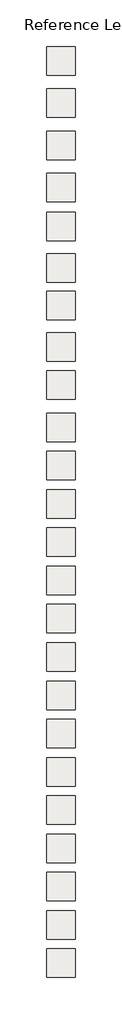
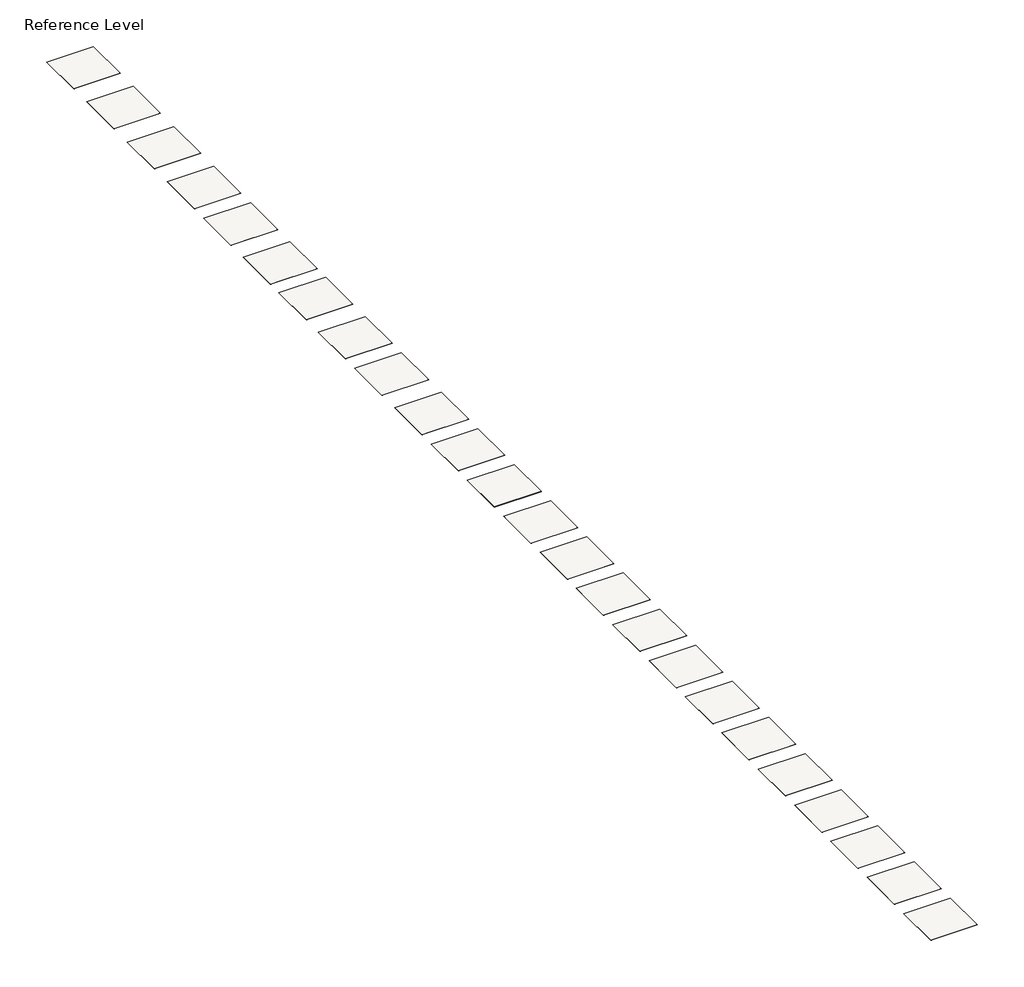
# One storey: 24 slabs.
"""IFC4 building model written with IfcOpenShell, lengths in millimetres."""

from ifc_helpers import new_model, si_unit, frame, origin, place, context, project, spatial, polyline, outline, extrude, element, save

model = new_model("IFC4")

# Units and contexts
model_context = context("Model", 3, world=origin())
ifc_project = project(units=[si_unit("LENGTHUNIT", "METRE", prefix="MILLI")], contexts=[model_context])

# Site, building, storey
site = spatial("IfcSite", under=ifc_project)
building = spatial("IfcBuilding", under=site)
storey = spatial("IfcBuildingStorey", under=building, Name="Reference Level", Elevation=0.0)

# Slabs
placement = place(None, origin())
element("IfcSlab", 1, at=placement, inside=storey, context=model_context, shape_type="SweptSolid", body=[
    extrude(outline(polyline([(21893.1191725, 5802.6847372), (21893.1191725, 802.6847372), (16893.1191725, 802.6847372), (16893.1191725, 5802.6847372), (21893.1191725, 5802.6847372)])), frame((0.0, 0.0, -2.25), z_axis=(0.0, 0.0, 1.0), x_axis=(1.0, 0.0, 0.0)), (0.0, 0.0, 1.0), 2.25),
])
element("IfcSlab", 2, at=placement, inside=storey, context=model_context, shape_type="SweptSolid", body=[
    extrude(outline(polyline([(21893.1191725, -1597.3152628), (21893.1191725, -6597.3152628), (16893.1191725, -6597.3152628), (16893.1191725, -1597.3152628), (21893.1191725, -1597.3152628)])), frame((0.0, 0.0, -2.25), z_axis=(0.0, 0.0, 1.0), x_axis=(1.0, 0.0, 0.0)), (0.0, 0.0, 1.0), 2.25),
])
element("IfcSlab", 3, at=placement, inside=storey, context=model_context, shape_type="SweptSolid", body=[
    extrude(outline(polyline([(21893.1191725, -9097.3152628), (21893.1191725, -14097.3152628), (16893.1191725, -14097.3152628), (16893.1191725, -9097.3152628), (21893.1191725, -9097.3152628)])), frame((0.0, 0.0, -2.25), z_axis=(0.0, 0.0, 1.0), x_axis=(1.0, 0.0, 0.0)), (0.0, 0.0, 1.0), 2.25),
])
element("IfcSlab", 4, at=placement, inside=storey, context=model_context, shape_type="SweptSolid", body=[
    extrude(outline(polyline([(21893.1191725, -16497.3152628), (21893.1191725, -21497.3152628), (16893.1191725, -21497.3152628), (16893.1191725, -16497.3152628), (21893.1191725, -16497.3152628)])), frame((0.0, 0.0, -2.25), z_axis=(0.0, 0.0, 1.0), x_axis=(1.0, 0.0, 0.0)), (0.0, 0.0, 1.0), 2.25),
])
element("IfcSlab", 5, at=placement, inside=storey, context=model_context, shape_type="SweptSolid", body=[
    extrude(outline(polyline([(21893.1191725, -23297.3152628), (21893.1191725, -28297.3152628), (16893.1191725, -28297.3152628), (16893.1191725, -23297.3152628), (21893.1191725, -23297.3152628)])), frame((0.0, 0.0, -2.25), z_axis=(0.0, 0.0, 1.0), x_axis=(1.0, 0.0, 0.0)), (0.0, 0.0, 1.0), 2.25),
])
element("IfcSlab", 6, at=placement, inside=storey, context=model_context, shape_type="SweptSolid", body=[
    extrude(outline(polyline([(21893.1191725, -30572.6471434), (21893.1191725, -35572.6471434), (16893.1191725, -35572.6471434), (16893.1191725, -30572.6471434), (21893.1191725, -30572.6471434)])), frame((0.0, 0.0, -2.25), z_axis=(0.0, 0.0, 1.0), x_axis=(1.0, 0.0, 0.0)), (0.0, 0.0, 1.0), 2.25),
])
element("IfcSlab", 7, at=placement, inside=storey, context=model_context, shape_type="SweptSolid", body=[
    extrude(outline(polyline([(21893.1191725, -37197.3152628), (21893.1191725, -42197.3152628), (16893.1191725, -42197.3152628), (16893.1191725, -37197.3152628), (21893.1191725, -37197.3152628)])), frame((0.0, 0.0, -2.25), z_axis=(0.0, 0.0, 1.0), x_axis=(1.0, 0.0, 0.0)), (0.0, 0.0, 1.0), 2.25),
])
element("IfcSlab", 8, at=placement, inside=storey, context=model_context, shape_type="SweptSolid", body=[
    extrude(outline(polyline([(21893.1191725, -44472.6471434), (21893.1191725, -49472.6471434), (16893.1191725, -49472.6471434), (16893.1191725, -44472.6471434), (21893.1191725, -44472.6471434)])), frame((0.0, 0.0, -2.25), z_axis=(0.0, 0.0, 1.0), x_axis=(1.0, 0.0, 0.0)), (0.0, 0.0, 1.0), 2.25),
])
element("IfcSlab", 9, at=placement, inside=storey, context=model_context, shape_type="SweptSolid", body=[
    extrude(outline(polyline([(21893.1191725, -51197.3152628), (21893.1191725, -56197.3152628), (16893.1191725, -56197.3152628), (16893.1191725, -51197.3152628), (21893.1191725, -51197.3152628)])), frame((0.0, 0.0, -2.25), z_axis=(0.0, 0.0, 1.0), x_axis=(1.0, 0.0, 0.0)), (0.0, 0.0, 1.0), 2.25),
])
element("IfcSlab", 10, at=placement, inside=storey, context=model_context, shape_type="SweptSolid", body=[
    extrude(outline(polyline([(21893.1191725, -58597.3152628), (21893.1191725, -63597.3152628), (16893.1191725, -63597.3152628), (16893.1191725, -58597.3152628), (21893.1191725, -58597.3152628)])), frame((0.0, 0.0, -2.25), z_axis=(0.0, 0.0, 1.0), x_axis=(1.0, 0.0, 0.0)), (0.0, 0.0, 1.0), 2.25),
])
element("IfcSlab", 11, at=placement, inside=storey, context=model_context, shape_type="SweptSolid", body=[
    extrude(outline(polyline([(21893.1191725, -65321.9833822), (21893.1191725, -70321.9833822), (16893.1191725, -70321.9833822), (16893.1191725, -65321.9833822), (21893.1191725, -65321.9833822)])), frame((0.0, 0.0, -2.25), z_axis=(0.0, 0.0, 1.0), x_axis=(1.0, 0.0, 0.0)), (0.0, 0.0, 1.0), 2.25),
])
element("IfcSlab", 12, at=placement, inside=storey, context=model_context, shape_type="SweptSolid", body=[
    extrude(outline(polyline([(21893.1191725, -72046.6515016), (21893.1191725, -77046.6515016), (16893.1191725, -77046.6515016), (16893.1191725, -72046.6515016), (21893.1191725, -72046.6515016)])), frame((0.0, 0.0, -2.25), z_axis=(0.0, 0.0, 1.0), x_axis=(1.0, 0.0, 0.0)), (0.0, 0.0, 1.0), 2.25),
])
element("IfcSlab", 13, at=placement, inside=storey, context=model_context, shape_type="SweptSolid", body=[
    extrude(outline(polyline([(21893.1191725, -78771.3196211), (21893.1191725, -83771.3196211), (16893.1191725, -83771.3196211), (16893.1191725, -78771.3196211), (21893.1191725, -78771.3196211)])), frame((0.0, 0.0, -2.25), z_axis=(0.0, 0.0, 1.0), x_axis=(1.0, 0.0, 0.0)), (0.0, 0.0, 1.0), 2.25),
])
element("IfcSlab", 14, at=placement, inside=storey, context=model_context, shape_type="SweptSolid", body=[
    extrude(outline(polyline([(21893.1191725, -85495.9877405), (21893.1191725, -90495.9877405), (16893.1191725, -90495.9877405), (16893.1191725, -85495.9877405), (21893.1191725, -85495.9877405)])), frame((0.0, 0.0, -2.25), z_axis=(0.0, 0.0, 1.0), x_axis=(1.0, 0.0, 0.0)), (0.0, 0.0, 1.0), 2.25),
])
element("IfcSlab", 15, at=placement, inside=storey, context=model_context, shape_type="SweptSolid", body=[
    extrude(outline(polyline([(21893.1191725, -92220.6558599), (21893.1191725, -97220.6558599), (16893.1191725, -97220.6558599), (16893.1191725, -92220.6558599), (21893.1191725, -92220.6558599)])), frame((0.0, 0.0, -2.25), z_axis=(0.0, 0.0, 1.0), x_axis=(1.0, 0.0, 0.0)), (0.0, 0.0, 1.0), 2.25),
])
element("IfcSlab", 16, at=placement, inside=storey, context=model_context, shape_type="SweptSolid", body=[
    extrude(outline(polyline([(21893.1191725, -98945.3239793), (21893.1191725, -103945.3239793), (16893.1191725, -103945.3239793), (16893.1191725, -98945.3239793), (21893.1191725, -98945.3239793)])), frame((0.0, 0.0, -2.25), z_axis=(0.0, 0.0, 1.0), x_axis=(1.0, 0.0, 0.0)), (0.0, 0.0, 1.0), 2.25),
])
element("IfcSlab", 17, at=placement, inside=storey, context=model_context, shape_type="SweptSolid", body=[
    extrude(outline(polyline([(21893.1191725, -105669.9920987), (21893.1191725, -110669.9920987), (16893.1191725, -110669.9920987), (16893.1191725, -105669.9920987), (21893.1191725, -105669.9920987)])), frame((0.0, 0.0, -2.25), z_axis=(0.0, 0.0, 1.0), x_axis=(1.0, 0.0, 0.0)), (0.0, 0.0, 1.0), 2.25),
])
element("IfcSlab", 18, at=placement, inside=storey, context=model_context, shape_type="SweptSolid", body=[
    extrude(outline(polyline([(21893.1191725, -112394.6602182), (21893.1191725, -117394.6602182), (16893.1191725, -117394.6602182), (16893.1191725, -112394.6602182), (21893.1191725, -112394.6602182)])), frame((0.0, 0.0, -2.25), z_axis=(0.0, 0.0, 1.0), x_axis=(1.0, 0.0, 0.0)), (0.0, 0.0, 1.0), 2.25),
])
element("IfcSlab", 19, at=placement, inside=storey, context=model_context, shape_type="SweptSolid", body=[
    extrude(outline(polyline([(21893.1191725, -119119.3283376), (21893.1191725, -124119.3283376), (16893.1191725, -124119.3283376), (16893.1191725, -119119.3283376), (21893.1191725, -119119.3283376)])), frame((0.0, 0.0, -2.25), z_axis=(0.0, 0.0, 1.0), x_axis=(1.0, 0.0, 0.0)), (0.0, 0.0, 1.0), 2.25),
])
element("IfcSlab", 20, at=placement, inside=storey, context=model_context, shape_type="SweptSolid", body=[
    extrude(outline(polyline([(21893.1191725, -125843.996457), (21893.1191725, -130843.996457), (16893.1191725, -130843.996457), (16893.1191725, -125843.996457), (21893.1191725, -125843.996457)])), frame((0.0, 0.0, -2.25), z_axis=(0.0, 0.0, 1.0), x_axis=(1.0, 0.0, 0.0)), (0.0, 0.0, 1.0), 2.25),
])
element("IfcSlab", 21, at=placement, inside=storey, context=model_context, shape_type="SweptSolid", body=[
    extrude(outline(polyline([(21893.1191725, -132568.6645764), (21893.1191725, -137568.6645764), (16893.1191725, -137568.6645764), (16893.1191725, -132568.6645764), (21893.1191725, -132568.6645764)])), frame((0.0, 0.0, -2.25), z_axis=(0.0, 0.0, 1.0), x_axis=(1.0, 0.0, 0.0)), (0.0, 0.0, 1.0), 2.25),
])
element("IfcSlab", 22, at=placement, inside=storey, context=model_context, shape_type="SweptSolid", body=[
    extrude(outline(polyline([(21893.1191725, -139293.3326959), (21893.1191725, -144293.3326959), (16893.1191725, -144293.3326959), (16893.1191725, -139293.3326959), (21893.1191725, -139293.3326959)])), frame((0.0, 0.0, -2.25), z_axis=(0.0, 0.0, 1.0), x_axis=(1.0, 0.0, 0.0)), (0.0, 0.0, 1.0), 2.25),
])
element("IfcSlab", 23, at=placement, inside=storey, context=model_context, shape_type="SweptSolid", body=[
    extrude(outline(polyline([(21893.1191725, -146018.0008153), (21893.1191725, -151018.0008153), (16893.1191725, -151018.0008153), (16893.1191725, -146018.0008153), (21893.1191725, -146018.0008153)])), frame((0.0, 0.0, -2.25), z_axis=(0.0, 0.0, 1.0), x_axis=(1.0, 0.0, 0.0)), (0.0, 0.0, 1.0), 2.25),
])
element("IfcSlab", 24, at=placement, inside=storey, context=model_context, shape_type="SweptSolid", body=[
    extrude(outline(polyline([(21893.1191725, -152742.6689347), (21893.1191725, -157742.6689347), (16893.1191725, -157742.6689347), (16893.1191725, -152742.6689347), (21893.1191725, -152742.6689347)])), frame((0.0, 0.0, -2.25), z_axis=(0.0, 0.0, 1.0), x_axis=(1.0, 0.0, 0.0)), (0.0, 0.0, 1.0), 2.25),
])

save(model, "model.ifc")
